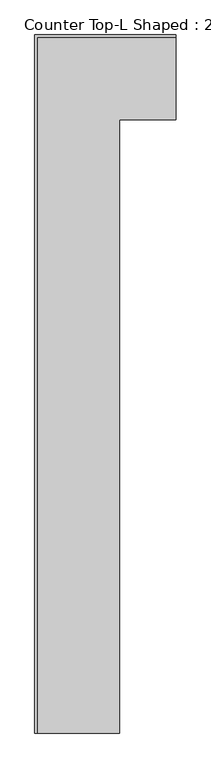
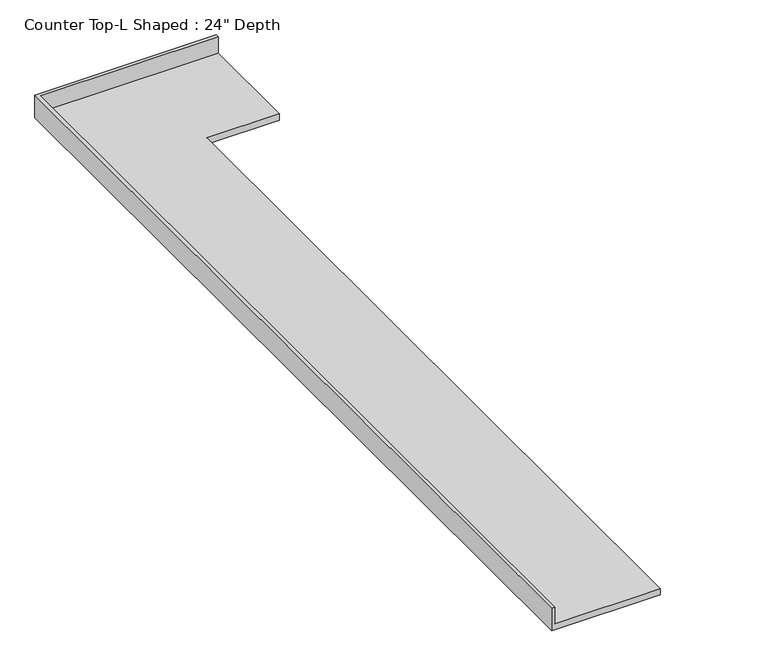
"""IFC4 building model written with IfcOpenShell, lengths in millimetres: furniture geometry."""

import ifcopenshell
import ifcopenshell.guid

model = None  # the IFC model being written
_history = None  # IfcOwnerHistory: only IFC2X3 demands one
_inside = {}  # id of a spatial element -> (the spatial element, [elements in it])
_under = {}  # id of a project, library or spatial element -> (it, [spatial elements below it])
_declared = {}  # id of a project -> (the project, [libraries it declares])
_typed = {}  # id of a type object -> (the type object, [elements of that type])
_made_of = {}  # id of a material, layer set ... -> (it, [elements and type objects made of it])


def new_model(schema):
    """Start an empty IFC model of exactly this schema.

    Asked for "IFC4X3", IfcOpenShell would pick the latest addendum, in which some entities
    have other attributes; the version numbers below select the first issue.
    IFC2X3 requires an IfcOwnerHistory on every rooted entity: one is made here for all.
    """
    global model, _history
    if schema == "IFC4X3":
        model = ifcopenshell.file(schema_version=(4, 3, 0, 0))
    else:
        model = ifcopenshell.file(schema=schema)
    _inside.clear()
    _under.clear()
    _declared.clear()
    _typed.clear()
    _made_of.clear()
    _history = None
    if model.schema == "IFC2X3":
        org = make("IfcOrganization", Name="unknown")
        user = make(
            "IfcPersonAndOrganization",
            ThePerson=make("IfcPerson", FamilyName="unknown"),
            TheOrganization=org,
        )
        app = make(
            "IfcApplication",
            ApplicationDeveloper=org,
            Version="unknown",
            ApplicationFullName="unknown",
            ApplicationIdentifier="unknown",
        )
        _history = make(
            "IfcOwnerHistory",
            OwningUser=user,
            OwningApplication=app,
            ChangeAction="ADDED",
            CreationDate=0,
        )
    return model


def make(cls, **values):
    """One entity of the class cls with the attributes given. An attribute that is None is left unset."""
    return model.create_entity(
        cls, **{name: value for name, value in values.items() if value is not None}
    )


def rooted(cls, **values):
    """An entity with a GlobalId (a new one), such as an element, a storey or a relation."""
    return make(cls, GlobalId=ifcopenshell.guid.new(), OwnerHistory=_history, **values)


def si_unit(unit_type, name, prefix=None):
    """IfcSIUnit, for example si_unit("LENGTHUNIT", "METRE", prefix="MILLI")."""
    return make("IfcSIUnit", UnitType=unit_type, Prefix=prefix, Name=name)


def assignment(units):
    """IfcUnitAssignment: the units of a project."""
    return None if units is None else make("IfcUnitAssignment", Units=units)


def point(xyz):
    """IfcCartesianPoint."""
    return None if xyz is None else make("IfcCartesianPoint", Coordinates=xyz)


def direction(xyz):
    """IfcDirection."""
    return None if xyz is None else make("IfcDirection", DirectionRatios=xyz)


def frame(location, z_axis=None, x_axis=None):
    """IfcAxis2Placement3D, a coordinate frame: its origin and axes. An axis left out is left unset."""
    return make(
        "IfcAxis2Placement3D",
        Location=point(location),
        Axis=direction(z_axis),
        RefDirection=direction(x_axis),
    )


def origin():
    """The frame at (0, 0, 0) with its axes left unset."""
    return frame((0.0, 0.0, 0.0))


def place(relative_to, where):
    """IfcLocalPlacement: puts the frame where relative to a parent placement (None: the world)."""
    return make(
        "IfcLocalPlacement", PlacementRelTo=relative_to, RelativePlacement=where
    )


def context(
    kind, dimensions, precision=None, world=None, true_north=None, identifier=None
):
    """IfcGeometricRepresentationContext, for example the 3D "Model" context."""
    return make(
        "IfcGeometricRepresentationContext",
        ContextIdentifier=identifier,
        ContextType=kind,
        CoordinateSpaceDimension=dimensions,
        Precision=precision,
        WorldCoordinateSystem=world,
        TrueNorth=true_north,
    )


def project(units=None, contexts=None):
    """IfcProject with its units and contexts."""
    return rooted(
        "IfcProject",
        Name="project",
        RepresentationContexts=contexts,
        UnitsInContext=assignment(units),
    )


def spatial(cls, under=None, at=None, **own):
    """A site, building, storey or space (cls), placed at a placement, below another one or the project."""
    s = rooted(cls, ObjectPlacement=at, **own)
    if under is not None:
        _under.setdefault(under.id(), (under, []))[1].append(s)
    return s


def faces_of(points, faces, orient=None, outer=None):
    """IfcFace entities. A face is a list of loops; a loop is a list of indices into points, from 0.

    orient and outer hold one flag for each loop. By default every Orientation is true, the
    first loop of a face is its IfcFaceOuterBound and the others are IfcFaceBound.
    """
    made = []
    for i, loops in enumerate(faces):
        bounds = []
        for j, loop in enumerate(loops):
            is_outer = j == 0 if outer is None else outer[i][j]
            bounds.append(
                make(
                    "IfcFaceOuterBound" if is_outer else "IfcFaceBound",
                    Bound=make("IfcPolyLoop", Polygon=[points[k] for k in loop]),
                    Orientation=True if orient is None else orient[i][j],
                )
            )
        made.append(make("IfcFace", Bounds=bounds))
    return made


def faceted_brep(points, faces, orient=None, outer=None, voids=None):
    """IfcFacetedBrep: a solid bounded by flat faces; with voids (closed shells), ...WithVoids."""
    shared = [point(p) for p in points]
    hull = make("IfcClosedShell", CfsFaces=faces_of(shared, faces, orient, outer))
    if voids is None:
        return make("IfcFacetedBrep", Outer=hull)
    return make(
        "IfcFacetedBrepWithVoids",
        Outer=hull,
        Voids=[
            make(cls, CfsFaces=faces_of(shared, fs, o, b)) for cls, fs, o, b in voids
        ],
    )


def shape(context_of_items, identifier, shape_type, items):
    """IfcShapeRepresentation: the items that make up one representation, for example the "Body"."""
    return make(
        "IfcShapeRepresentation",
        ContextOfItems=context_of_items,
        RepresentationIdentifier=identifier,
        RepresentationType=shape_type,
        Items=items,
    )


def source(mapping_origin, context_of_items, identifier, shape_type, items):
    """IfcRepresentationMap: a shape defined once, which mapped items show again and again."""
    return make(
        "IfcRepresentationMap",
        MappingOrigin=mapping_origin,
        MappedRepresentation=shape(context_of_items, identifier, shape_type, items),
    )


def transform(
    local_origin,
    x_axis=None,
    y_axis=None,
    z_axis=None,
    scale=None,
    scale2=None,
    scale3=None,
    uniform=True,
):
    """IfcCartesianTransformationOperator3D, or its non-uniform kind. x_axis, y_axis, z_axis: its Axis1, 2, 3."""
    if uniform:
        return make(
            "IfcCartesianTransformationOperator3D",
            Axis1=direction(x_axis),
            Axis2=direction(y_axis),
            LocalOrigin=point(local_origin),
            Scale=scale,
            Axis3=direction(z_axis),
        )
    return make(
        "IfcCartesianTransformationOperator3DnonUniform",
        Axis1=direction(x_axis),
        Axis2=direction(y_axis),
        LocalOrigin=point(local_origin),
        Scale=scale,
        Axis3=direction(z_axis),
        Scale2=scale2,
        Scale3=scale3,
    )


def mapped(mapping_source, mapping_target):
    """IfcMappedItem: shows the shape of a source again, moved by a transform."""
    return make(
        "IfcMappedItem", MappingSource=mapping_source, MappingTarget=mapping_target
    )


def made_of(thing, what):
    """Note that an element or type object is made of a material, layer set ...; save() writes the relation."""
    if what is not None:
        _made_of.setdefault(what.id(), (what, []))[1].append(thing)
    return thing


def element(
    cls,
    number,
    at=None,
    inside=None,
    cuts=None,
    type_object=None,
    material=None,
    context=None,
    identifier="Body",
    shape_type=None,
    held_by="IfcProductDefinitionShape",
    body=None,
    shapes=None,
    **own,
):
    """One element of the class cls, such as IfcWall. Its Tag is "e" and its number.

    at: its placement. inside: the storey or other place that contains it. cuts: it is an
    opening in that element (IfcRelVoidsElement). A single representation is given by context,
    identifier, shape_type and body (its items); several are given by shapes. held_by: the class
    of the entity that holds the representations. save() writes the other relations.
    """
    e = rooted(cls, Tag="e%d" % number, ObjectPlacement=at, **own)
    if body is not None:
        shapes = [shape(context, identifier, shape_type, body)]
    if shapes is not None:
        e.Representation = make(held_by, Representations=shapes)
    if inside is not None:
        _inside.setdefault(inside.id(), (inside, []))[1].append(e)
    if cuts is not None:
        rooted(
            "IfcRelVoidsElement", RelatingBuildingElement=cuts, RelatedOpeningElement=e
        )
    if type_object is not None:
        _typed.setdefault(type_object.id(), (type_object, []))[1].append(e)
    return made_of(e, material)


def aggregate(whole, parts):
    """IfcRelAggregates: a whole, such as a stair, and the parts it consists of."""
    return rooted("IfcRelAggregates", RelatingObject=whole, RelatedObjects=parts)


def save(model, path):
    """Write the relations noted so far, then the file.

    IfcRelAggregates (storeys below a building ...), IfcRelContainedInSpatialStructure (elements
    in a storey), IfcRelDefinesByType, IfcRelAssociatesMaterial and IfcRelDeclares: one each for
    every whole, place, type object, material and project.
    """
    for whole, parts in _under.values():
        aggregate(whole, parts)
    for where, things in _inside.values():
        rooted(
            "IfcRelContainedInSpatialStructure",
            RelatedElements=things,
            RelatingStructure=where,
        )
    for kind, things in _typed.values():
        rooted("IfcRelDefinesByType", RelatedObjects=things, RelatingType=kind)
    for what, things in _made_of.values():
        rooted("IfcRelAssociatesMaterial", RelatedObjects=things, RelatingMaterial=what)
    for by, libraries in _declared.values():
        rooted("IfcRelDeclares", RelatingContext=by, RelatedDefinitions=libraries)
    model.write(path)


def furniture_e012c4f6(model_context):
    return source(origin(), model_context, "Body", "Brep", [
        faceted_brep([(-565.4622951, -5218.5283864, 914.4), (-565.4622951, -635.0, 914.4), (-142.1560935, -635.0, 914.4), (-142.1560935, -19.05, 914.4), (-1181.4122951, -19.05, 914.4), (-1181.4122951, -5218.5283864, 914.4), (-142.1560935, 0.0, 876.3), (-142.1560935, -635.0, 876.3), (-565.4622951, -635.0, 876.3), (-565.4622951, -5218.5283864, 876.3), (-1200.4622951, -5218.5283864, 876.3), (-1200.4622951, 0.0, 876.3), (-1200.4622951, 0.0, 1016.0), (-142.1560935, 0.0, 1016.0), (-1200.4622951, -5218.5283864, 1016.0), (-1181.4122951, -5218.5283864, 1016.0), (-142.1560935, -19.05, 1016.0), (-1181.4122951, -19.05, 1016.0)], [[[0, 1, 2, 3, 4, 5]], [[6, 7, 8, 9, 10, 11]], [[6, 11, 12, 13]], [[11, 10, 14, 12]], [[14, 10, 9, 0, 5, 15]], [[1, 0, 9, 8]], [[2, 1, 8, 7]], [[7, 6, 13, 16, 3, 2]], [[12, 14, 15, 17, 16, 13]], [[3, 16, 17, 4]], [[17, 15, 5, 4]]]),
    ])


if __name__ == "__main__":
    model = new_model("IFC4")
    model_context = context("Model", 3, world=origin())
    ifc_project = project(units=[si_unit("LENGTHUNIT", "METRE", prefix="MILLI")], contexts=[model_context])
    site = spatial("IfcSite", under=ifc_project)
    building = spatial("IfcBuilding", under=site)
    placement = place(None, origin())
    furniture_shape = furniture_e012c4f6(model_context)
    element("IfcFurniture", 1, ObjectType="Counter Top-L Shaped : 24\" Depth", at=placement, inside=building, context=model_context, shape_type="MappedRepresentation", body=[
        mapped(furniture_shape, transform((0.0, 0.0, 0.0), x_axis=(1.0, 0.0, 0.0), y_axis=(0.0, 1.0, 0.0), z_axis=(0.0, 0.0, 1.0))),
    ])
    save(model, "model.ifc")
